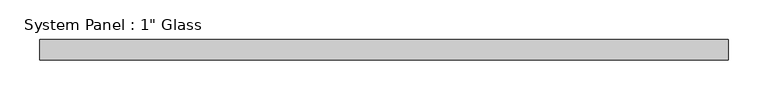
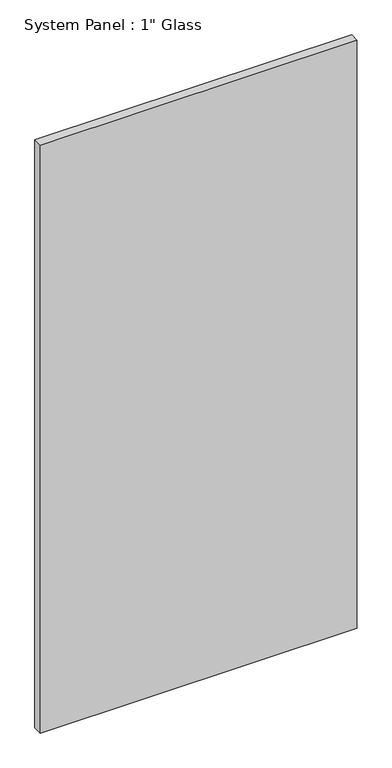
"""IFC4 building model written with IfcOpenShell, lengths in millimetres: plate geometry."""

from ifc_helpers import new_model, si_unit, origin, origin_with_axes, place, context, project, spatial, polyline, outline, extrude, source, transform, mapped, element, save


def plate_85a8251d(model_context):
    return source(origin(), model_context, "Body", "SweptSolid", [
        extrude(outline(polyline([(431.8, -12.7), (-431.8, -12.7), (-431.8, 12.7), (431.8, 12.7), (431.8, -12.7)])), origin_with_axes(), (0.0, 0.0, 1.0), 1695.45),
    ])


if __name__ == "__main__":
    model = new_model("IFC4")
    model_context = context("Model", 3, world=origin())
    ifc_project = project(units=[si_unit("LENGTHUNIT", "METRE", prefix="MILLI")], contexts=[model_context])
    site = spatial("IfcSite", under=ifc_project)
    building = spatial("IfcBuilding", under=site)
    placement = place(None, origin())
    plate_shape = plate_85a8251d(model_context)
    element("IfcPlate", 1, ObjectType="System Panel : 1\" Glass", at=placement, inside=building, context=model_context, shape_type="MappedRepresentation", body=[
        mapped(plate_shape, transform((0.0, 0.0, 0.0), x_axis=(1.0, 0.0, 0.0), y_axis=(0.0, 1.0, 0.0), z_axis=(0.0, 0.0, 1.0))),
    ])
    save(model, "model.ifc")
